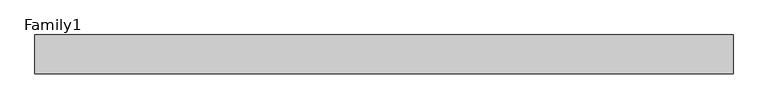
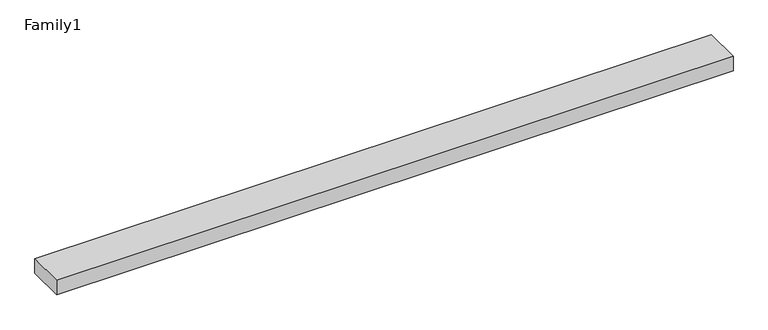
"""IFC4 building model written with IfcOpenShell, lengths in millimetres: proxy geometry, Family1."""

from ifc_helpers import new_model, si_unit, origin, origin_with_axes, place, context, project, spatial, polyline, outline, extrude, source, transform, mapped, element, save


def family1_dd47b51a(model_context):
    return source(origin(), model_context, "Body", "SweptSolid", [
        extrude(outline(polyline([(90000.0, 0.0), (0.0, 0.0), (0.0, 5000.0), (90000.0, 5000.0), (90000.0, 0.0)])), origin_with_axes(), (0.0, 0.0, 1.0), 1984.0),
    ])


if __name__ == "__main__":
    model = new_model("IFC4")
    model_context = context("Model", 3, world=origin())
    ifc_project = project(units=[si_unit("LENGTHUNIT", "METRE", prefix="MILLI")], contexts=[model_context])
    site = spatial("IfcSite", under=ifc_project)
    building = spatial("IfcBuilding", under=site)
    placement = place(None, origin())
    family1_shape = family1_dd47b51a(model_context)
    element("IfcBuildingElementProxy", 1, Name="Family1", ObjectType="Family1", at=placement, inside=building, context=model_context, shape_type="MappedRepresentation", body=[
        mapped(family1_shape, transform((0.0, 0.0, 0.0), x_axis=(1.0, 0.0, 0.0), y_axis=(0.0, 1.0, 0.0), z_axis=(0.0, 0.0, 1.0))),
    ])
    save(model, "model.ifc")
